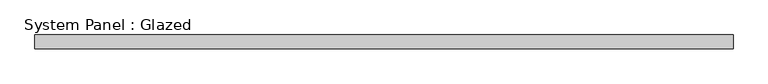
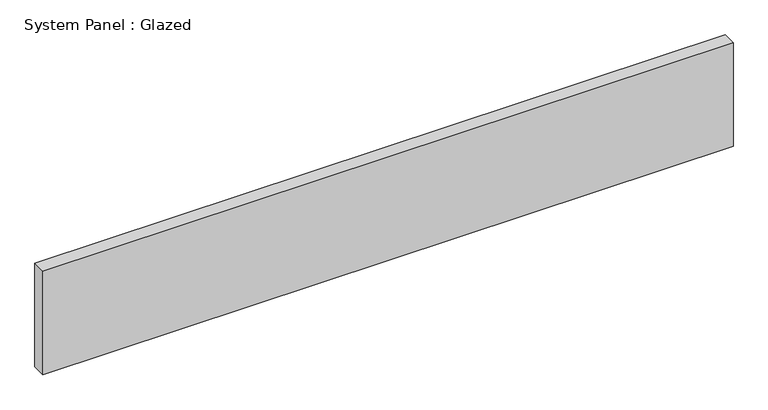
"""IFC4 building model written with IfcOpenShell, lengths in millimetres: plate geometry, System Panel : Glazed."""

from ifc_helpers import new_model, si_unit, origin, origin_with_axes, place, context, project, spatial, polyline, outline, extrude, source, transform, mapped, element, save


def system_panel_glazed_976c3847(model_context):
    return source(origin(), model_context, "Body", "SweptSolid", [
        extrude(outline(polyline([(622.0, 24.5), (-622.0, 24.5), (-622.0, 49.5), (622.0, 49.5), (622.0, 24.5)])), origin_with_axes(), (0.0, 0.0, 1.0), 197.1692572),
    ])


if __name__ == "__main__":
    model = new_model("IFC4")
    model_context = context("Model", 3, world=origin())
    ifc_project = project(units=[si_unit("LENGTHUNIT", "METRE", prefix="MILLI")], contexts=[model_context])
    site = spatial("IfcSite", under=ifc_project)
    building = spatial("IfcBuilding", under=site)
    placement = place(None, origin())
    system_panel_glazed_shape = system_panel_glazed_976c3847(model_context)
    element("IfcPlate", 1, ObjectType="System Panel : Glazed", at=placement, inside=building, context=model_context, shape_type="MappedRepresentation", body=[
        mapped(system_panel_glazed_shape, transform((0.0, 0.0, 0.0), x_axis=(1.0, 0.0, 0.0), y_axis=(0.0, 1.0, 0.0), z_axis=(0.0, 0.0, 1.0))),
    ])
    save(model, "model.ifc")
